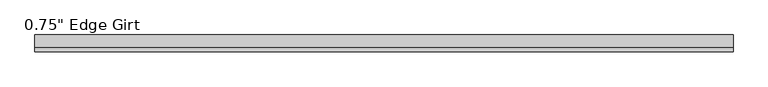
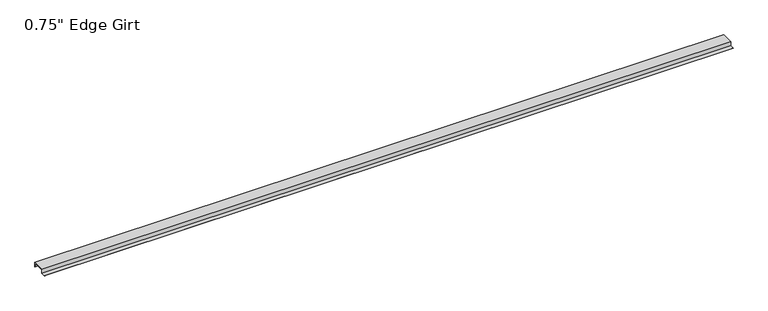
"""IFC4 building model written with IfcOpenShell, lengths in millimetres: proxy geometry."""

from ifc_helpers import new_model, si_unit, frame, origin, place, context, project, spatial, polyline, outline, extrude, source, transform, mapped, element, save


def proxy_eda83c26(model_context):
    return source(origin(), model_context, "Body", "SweptSolid", [
        extrude(outline(polyline([(-46.0559645, -17.4375), (-46.0559645, -15.8242), (-27.0129, -15.8242), (-27.0129, 1.6129), (27.0129, 1.6129), (27.0129, -17.4375), (25.4, -17.4375), (25.4, 0.0), (-25.4, 0.0), (-25.4, -17.4375), (-46.0559645, -17.4375)])), frame((0.0, 0.0, 0.0), z_axis=(1.0, 0.0, 0.0), x_axis=(0.0, 1.0, 0.0)), (0.0, 0.0, 1.0), 3048.0),
    ])


if __name__ == "__main__":
    model = new_model("IFC4")
    model_context = context("Model", 3, world=origin())
    ifc_project = project(units=[si_unit("LENGTHUNIT", "METRE", prefix="MILLI")], contexts=[model_context])
    site = spatial("IfcSite", under=ifc_project)
    building = spatial("IfcBuilding", under=site)
    placement = place(None, origin())
    proxy_shape = proxy_eda83c26(model_context)
    element("IfcBuildingElementProxy", 1, Name="0.75\" Edge Girt", ObjectType="0.75\" Edge Girt", at=placement, inside=building, context=model_context, shape_type="MappedRepresentation", body=[
        mapped(proxy_shape, transform((0.0, 0.0, 0.0), x_axis=(1.0, 0.0, 0.0), y_axis=(0.0, 1.0, 0.0), z_axis=(0.0, 0.0, 1.0))),
    ])
    save(model, "model.ifc")
